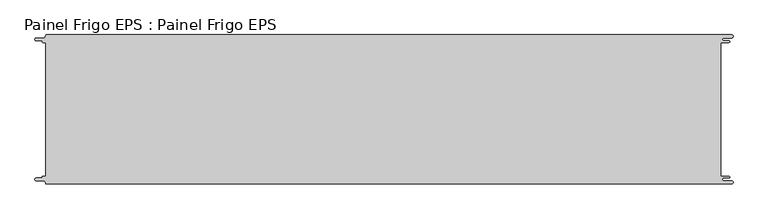
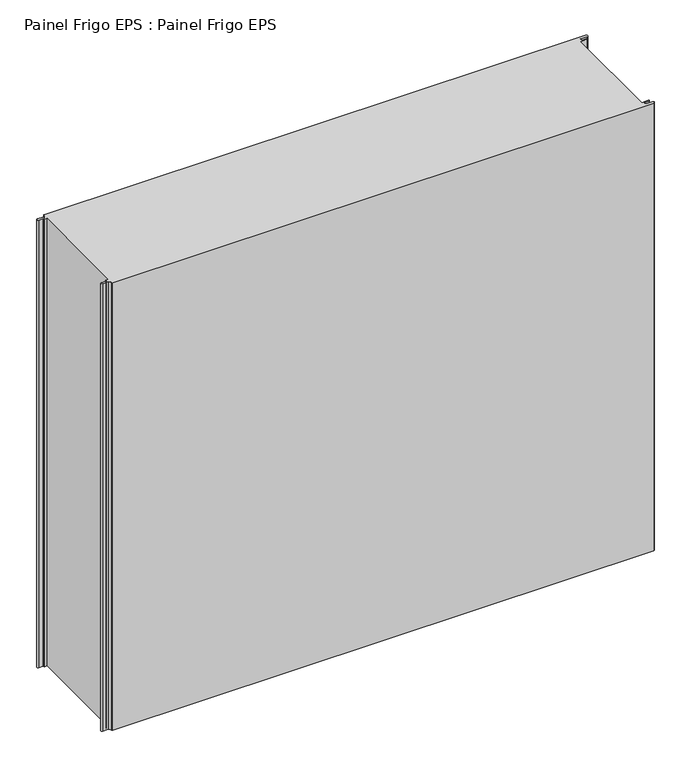
"""IFC4 building model written with IfcOpenShell, lengths in millimetres: proxy geometry, Painel Frigo EPS : Painel Frigo EPS."""

from ifc_helpers import new_model, si_unit, frame, origin, place, context, project, spatial, polyline, circle_curve, source, transform, mapped, element, save
from ifc_brep_helpers import plane_surface, cylinder_surface, revolved_surface, advanced_brep


def painel_frigo_eps_painel_frigo_eps_af255ff4(model_context):
    return source(origin(), model_context, "Body", "AdvancedBrep", [
        advanced_brep(
        [(-579.5093748, 112.3, 1000.0), (-574.2218362, 112.3, 1000.0), (-574.2218362, -112.2999995, 1000.0), (-579.5093748, -112.2999995, 1000.0), (-580.1093753, -112.9, 1000.0), (-580.1093753, -113.7085185, 1000.0), (-581.5093753, -115.1085185, 1000.0), (-590.4875, -115.1085185, 1000.0), (-590.4875, -119.5085185, 1000.0), (-578.471875, -119.5085185, 1000.0), (-574.921875, -123.0585185, 1000.0), (-572.971875, -125.0, 1000.0), (572.284375, -125.0, 1000.0), (572.284375, -119.725, 1000.0), (559.378125, -119.725, 1000.0), (559.378125, -114.875, 1000.0), (568.0406253, -114.875, 1000.0), (568.0406253, -112.3, 1000.0), (554.1906253, -112.3, 1000.0), (554.1906253, 112.3, 1000.0), (568.0406253, 112.3, 1000.0), (568.0406253, 114.875, 1000.0), (559.378125, 114.875, 1000.0), (559.378125, 119.725, 1000.0), (572.284375, 119.725, 1000.0), (572.284375, 125.0, 1000.0), (-572.971875, 125.0, 1000.0), (-574.921875, 123.05, 1000.0), (-578.471875, 119.5085185, 1000.0), (-590.4875, 119.5085185, 1000.0), (-590.4875, 115.1085187, 1000.0), (-581.5093751, 115.1085187, 1000.0), (-580.1093748, 113.7085184, 1000.0), (-580.1093748, 112.9, 1000.0), (-579.5093748, 112.3, 0.0), (-580.1093748, 112.9, 0.0), (-580.1093748, 113.7085184, 0.0), (-581.5093751, 115.1085187, 0.0), (-590.4875, 115.1085187, 0.0), (-590.4875, 119.5085185, 0.0), (-578.471875, 119.5085185, 0.0), (-574.921875, 123.0585185, 0.0), (-572.971875, 125.0, 0.0), (572.284375, 125.0, 0.0), (572.284375, 119.725, 0.0), (559.378125, 119.725, 0.0), (559.378125, 114.875, 0.0), (568.0406253, 114.875, 0.0), (568.0406253, 112.3, 0.0), (554.1906253, 112.3, 0.0), (554.1906253, -112.3, 0.0), (568.0406253, -112.3, 0.0), (568.0406253, -114.875, 0.0), (559.378125, -114.875, 0.0), (559.378125, -119.725, 0.0), (572.284375, -119.725, 0.0), (572.284375, -125.0, 0.0), (-572.971875, -125.0, 0.0), (-574.921875, -123.05, 0.0), (-578.471875, -119.5085185, 0.0), (-590.4875, -119.5085185, 0.0), (-590.4875, -115.1085185, 0.0), (-581.5093753, -115.1085185, 0.0), (-580.1093753, -113.7085185, 0.0), (-580.1093753, -112.9, 0.0), (-579.5093748, -112.2999995, 0.0), (-574.2218362, -112.2999995, 0.0), (-574.2218362, 112.3, 0.0)],
        [
            (0, 1),
            (1, 2),
            (2, 3),
            (3, 4, circle_curve(frame((-579.5093748, -112.9, 1000.0), z_axis=(0.0, 0.0, 1.0), x_axis=(1.0, 0.0, 0.0)), 0.6000005)),
            (4, 5),
            (5, 6, circle_curve(frame((-581.5093753, -113.7085185, 1000.0), z_axis=(0.0, 0.0, -1.0), x_axis=(1.0, 0.0, 0.0)), 1.4)),
            (6, 7),
            (7, 8, circle_curve(frame((-590.4875, -117.3085185, 1000.0), z_axis=(0.0, 0.0, 1.0), x_axis=(1.0, 0.0, 0.0)), 2.2)),
            (8, 9),
            (9, 10, circle_curve(frame((-578.471875, -123.0585185, 1000.0), z_axis=(0.0, 0.0, -1.0), x_axis=(1.0, 0.0, 0.0)), 3.55)),
            (10, 11, circle_curve(frame((-572.971875, -123.05, 1000.0), z_axis=(0.0, 0.0, 1.0), x_axis=(1.0, 0.0, 0.0)), 1.95)),
            (11, 12),
            (12, 13, circle_curve(frame((572.284375, -122.3625, 1000.0), z_axis=(0.0, 0.0, 1.0), x_axis=(1.0, 0.0, 0.0)), 2.6375)),
            (13, 14),
            (14, 15, circle_curve(frame((559.378125, -117.3, 1000.0), z_axis=(0.0, 0.0, -1.0), x_axis=(1.0, 0.0, 0.0)), 2.425)),
            (15, 16),
            (16, 17, circle_curve(frame((568.0406253, -113.5875, 1000.0), z_axis=(0.0, 0.0, 1.0), x_axis=(1.0, 0.0, 0.0)), 1.2875)),
            (17, 18),
            (18, 19),
            (19, 20),
            (20, 21, circle_curve(frame((568.0406253, 113.5875, 1000.0), z_axis=(0.0, 0.0, 1.0), x_axis=(1.0, 0.0, 0.0)), 1.2875)),
            (21, 22),
            (22, 23, circle_curve(frame((559.378125, 117.3, 1000.0), z_axis=(0.0, 0.0, -1.0), x_axis=(1.0, 0.0, 0.0)), 2.425)),
            (23, 24),
            (24, 25, circle_curve(frame((572.284375, 122.3625, 1000.0), z_axis=(0.0, 0.0, 1.0), x_axis=(1.0, 0.0, 0.0)), 2.6375)),
            (25, 26),
            (26, 27, circle_curve(frame((-572.971875, 123.05, 1000.0), z_axis=(0.0, 0.0, 1.0), x_axis=(1.0, 0.0, 0.0)), 1.95)),
            (27, 28, circle_curve(frame((-578.471875, 123.0585185, 1000.0), z_axis=(0.0, 0.0, -1.0), x_axis=(1.0, 0.0, 0.0)), 3.55)),
            (28, 29),
            (29, 30, circle_curve(frame((-590.4875, 117.3085186, 1000.0), z_axis=(0.0, 0.0, 1.0), x_axis=(1.0, 0.0, 0.0)), 2.1999999)),
            (30, 31),
            (31, 32, circle_curve(frame((-581.5093751, 113.7085184, 1000.0), z_axis=(0.0, 0.0, -1.0), x_axis=(1.0, 0.0, 0.0)), 1.4000003)),
            (32, 33),
            (33, 0, circle_curve(frame((-579.5093748, 112.9, 1000.0), z_axis=(0.0, 0.0, 1.0), x_axis=(1.0, 0.0, 0.0)), 0.6)),
            (34, 35, circle_curve(frame((-579.5093748, 112.9, 0.0), z_axis=(0.0, 0.0, -1.0), x_axis=(1.0, 0.0, 0.0)), 0.6)),
            (35, 36),
            (36, 37, circle_curve(frame((-581.5093751, 113.7085184, 0.0), z_axis=(0.0, 0.0, 1.0), x_axis=(1.0, 0.0, 0.0)), 1.4000003)),
            (37, 38),
            (38, 39, circle_curve(frame((-590.4875, 117.3085186, 0.0), z_axis=(0.0, 0.0, -1.0), x_axis=(1.0, 0.0, 0.0)), 2.1999999)),
            (39, 40),
            (40, 41, circle_curve(frame((-578.471875, 123.0585185, 0.0), z_axis=(0.0, 0.0, 1.0), x_axis=(1.0, 0.0, 0.0)), 3.55)),
            (41, 42, circle_curve(frame((-572.971875, 123.05, 0.0), z_axis=(0.0, 0.0, -1.0), x_axis=(1.0, 0.0, 0.0)), 1.95)),
            (42, 43),
            (43, 44, circle_curve(frame((572.284375, 122.3625, 0.0), z_axis=(0.0, 0.0, -1.0), x_axis=(1.0, 0.0, 0.0)), 2.6375)),
            (44, 45),
            (45, 46, circle_curve(frame((559.378125, 117.3, 0.0), z_axis=(0.0, 0.0, 1.0), x_axis=(1.0, 0.0, 0.0)), 2.425)),
            (46, 47),
            (47, 48, circle_curve(frame((568.0406253, 113.5875, 0.0), z_axis=(0.0, 0.0, -1.0), x_axis=(1.0, 0.0, 0.0)), 1.2875)),
            (48, 49),
            (49, 50),
            (50, 51),
            (51, 52, circle_curve(frame((568.0406253, -113.5875, 0.0), z_axis=(0.0, 0.0, -1.0), x_axis=(1.0, 0.0, 0.0)), 1.2875)),
            (52, 53),
            (53, 54, circle_curve(frame((559.378125, -117.3, 0.0), z_axis=(0.0, 0.0, 1.0), x_axis=(1.0, 0.0, 0.0)), 2.425)),
            (54, 55),
            (55, 56, circle_curve(frame((572.284375, -122.3625, 0.0), z_axis=(0.0, 0.0, -1.0), x_axis=(1.0, 0.0, 0.0)), 2.6375)),
            (56, 57),
            (57, 58, circle_curve(frame((-572.971875, -123.05, 0.0), z_axis=(0.0, 0.0, -1.0), x_axis=(1.0, 0.0, 0.0)), 1.95)),
            (58, 59, circle_curve(frame((-578.471875, -123.0585185, 0.0), z_axis=(0.0, 0.0, 1.0), x_axis=(1.0, 0.0, 0.0)), 3.55)),
            (59, 60),
            (60, 61, circle_curve(frame((-590.4875, -117.3085185, 0.0), z_axis=(0.0, 0.0, -1.0), x_axis=(1.0, 0.0, 0.0)), 2.2)),
            (61, 62),
            (62, 63, circle_curve(frame((-581.5093753, -113.7085185, 0.0), z_axis=(0.0, 0.0, 1.0), x_axis=(1.0, 0.0, 0.0)), 1.4)),
            (63, 64),
            (64, 65, circle_curve(frame((-579.5093748, -112.9, 0.0), z_axis=(0.0, 0.0, -1.0), x_axis=(1.0, 0.0, 0.0)), 0.6000005)),
            (65, 66),
            (66, 67),
            (67, 34),
            (11, 57),
            (56, 12),
            (25, 43),
            (42, 26),
            (0, 34),
            (67, 1),
            (66, 2),
            (65, 3),
            (64, 4),
            (63, 5),
            (62, 6),
            (61, 7),
            (60, 8),
            (59, 9),
            (58, 10),
            (18, 50),
            (49, 19),
            (48, 20),
            (47, 21),
            (46, 22),
            (45, 23),
            (44, 24),
            (41, 27),
            (40, 28),
            (39, 29),
            (38, 30),
            (37, 31),
            (36, 32),
            (35, 33),
            (55, 13),
            (54, 14),
            (53, 15),
            (52, 16),
            (51, 17),
        ],
        [
            plane_surface(frame((-574.2218362, 112.3, 1000.0), z_axis=(0.0, 0.0, 1.0), x_axis=(1.0, 0.0, 0.0))),
            plane_surface(frame((-574.2218362, 112.3, 0.0), z_axis=(0.0, 0.0, -1.0), x_axis=(-1.0, 0.0, 0.0))),
            plane_surface(frame((-572.971875, -125.0, 1000.0), z_axis=(0.0, -1.0, 0.0), x_axis=(0.0, 0.0, -1.0))),
            plane_surface(frame((572.284375, 125.0, 1000.0), z_axis=(0.0, 1.0, 0.0), x_axis=(0.0, 0.0, -1.0))),
            plane_surface(frame((-579.5093748, 112.3, 1000.0), z_axis=(0.0, -1.0, 0.0), x_axis=(0.0, 0.0, -1.0))),
            plane_surface(frame((-574.2218362, 112.3, 1000.0), z_axis=(-1.0, 0.0, 0.0), x_axis=(0.0, 0.0, -1.0))),
            plane_surface(frame((-574.2218362, -112.2999995, 1000.0), z_axis=(0.0, 1.0, 0.0), x_axis=(0.0, 0.0, -1.0))),
            cylinder_surface(frame((-579.5093748, -112.9, 0.0), z_axis=(0.0, 0.0, 1.0), x_axis=(1.0, 0.0, 0.0)), 0.6000005),
            plane_surface(frame((-580.1093753, -112.9, 1000.0), z_axis=(-1.0, 1.757860866232952e-12, 0.0), x_axis=(0.0, 0.0, -1.0))),
            revolved_surface(polyline([(-580.1093753, -113.7085185, 0.0), (-580.1093753, -113.7085185, 1000.0)]), (-581.5093753, -113.7085185, 0.0), (0.0, 0.0, -1.0)),
            plane_surface(frame((-581.5093753, -115.1085185, 1000.0), z_axis=(0.0, 1.0, 0.0), x_axis=(0.0, 0.0, -1.0))),
            cylinder_surface(frame((-590.4875, -117.3085185, 0.0), z_axis=(0.0, 0.0, 1.0), x_axis=(1.0, 0.0, 0.0)), 2.2),
            plane_surface(frame((-590.4875, -119.5085185, 1000.0), z_axis=(0.0, -1.0, 0.0), x_axis=(0.0, 0.0, -1.0))),
            revolved_surface(polyline([(-574.921875, -123.0585185, 0.0), (-574.921875, -123.0585185, 1000.0)]), (-578.471875, -123.0585185, 0.0), (0.0, 0.0, -1.0)),
            cylinder_surface(frame((-572.971875, -123.05, 0.0), z_axis=(0.0, 0.0, 1.0), x_axis=(1.0, 0.0, 0.0)), 1.95),
            plane_surface(frame((554.1906253, -112.3, 1000.0), z_axis=(1.0, 0.0, 0.0), x_axis=(0.0, 0.0, -1.0))),
            plane_surface(frame((554.1906253, 112.3, 1000.0), z_axis=(0.0, -1.0, 0.0), x_axis=(0.0, 0.0, -1.0))),
            cylinder_surface(frame((568.0406253, 113.5875, 0.0), z_axis=(0.0, 0.0, 1.0), x_axis=(1.0, 0.0, 0.0)), 1.2875),
            plane_surface(frame((568.0406253, 114.875, 1000.0), z_axis=(0.0, 1.0, 0.0), x_axis=(0.0, 0.0, -1.0))),
            revolved_surface(polyline([(561.8031249999999, 117.3, 0.0), (561.8031249999999, 117.3, 1000.0)]), (559.378125, 117.3, 0.0), (0.0, 0.0, -1.0)),
            plane_surface(frame((559.378125, 119.725, 1000.0), z_axis=(0.0, -1.0, 0.0), x_axis=(0.0, 0.0, -1.0))),
            cylinder_surface(frame((572.284375, 122.3625, 0.0), z_axis=(0.0, 0.0, 1.0), x_axis=(1.0, 0.0, 0.0)), 2.6375),
            cylinder_surface(frame((-572.971875, 123.05, 0.0), z_axis=(0.0, 0.0, 1.0), x_axis=(1.0, 0.0, 0.0)), 1.95),
            revolved_surface(polyline([(-574.921875, 123.0585185, 0.0), (-574.921875, 123.0585185, 1000.0)]), (-578.471875, 123.0585185, 0.0), (0.0, 0.0, -1.0)),
            plane_surface(frame((-578.471875, 119.5085185, 1000.0), z_axis=(0.0, 1.0, 0.0), x_axis=(0.0, 0.0, -1.0))),
            cylinder_surface(frame((-590.4875, 117.3085186, 0.0), z_axis=(0.0, 0.0, 1.0), x_axis=(1.0, 0.0, 0.0)), 2.1999999),
            plane_surface(frame((-590.4875, 115.1085187, 1000.0), z_axis=(0.0, -1.0, 0.0), x_axis=(0.0, 0.0, -1.0))),
            revolved_surface(polyline([(-580.1093748000001, 113.7085184, 0.0), (-580.1093748000001, 113.7085184, 1000.0)]), (-581.5093751, 113.7085184, 0.0), (0.0, 0.0, -1.0)),
            plane_surface(frame((-580.1093748, 113.7085184, 1000.0), z_axis=(-1.0, 0.0, 0.0), x_axis=(0.0, 0.0, -1.0))),
            cylinder_surface(frame((-579.5093748, 112.9, 0.0), z_axis=(0.0, 0.0, 1.0), x_axis=(1.0, 0.0, 0.0)), 0.6),
            cylinder_surface(frame((572.284375, -122.3625, 0.0), z_axis=(0.0, 0.0, 1.0), x_axis=(1.0, 0.0, 0.0)), 2.6375),
            plane_surface(frame((572.284375, -119.725, 1000.0), z_axis=(0.0, 1.0, 0.0), x_axis=(0.0, 0.0, -1.0))),
            revolved_surface(polyline([(561.8031249999999, -117.3, 0.0), (561.8031249999999, -117.3, 1000.0)]), (559.378125, -117.3, 0.0), (0.0, 0.0, -1.0)),
            plane_surface(frame((559.378125, -114.875, 1000.0), z_axis=(0.0, -1.0, 0.0), x_axis=(0.0, 0.0, -1.0))),
            cylinder_surface(frame((568.0406253, -113.5875, 0.0), z_axis=(0.0, 0.0, 1.0), x_axis=(1.0, 0.0, 0.0)), 1.2875),
            plane_surface(frame((568.0406253, -112.3, 1000.0), z_axis=(0.0, 1.0, 0.0), x_axis=(0.0, 0.0, -1.0))),
        ],
        [
            (0, [[1, 2, 3, 4, 5, 6, 7, 8, 9, 10, 11, 12, 13, 14, 15, 16, 17, 18, 19, 20, 21, 22, 23, 24, 25, 26, 27, 28, 29, 30, 31, 32, 33, 34]]),
            (1, [[35, 36, 37, 38, 39, 40, 41, 42, 43, 44, 45, 46, 47, 48, 49, 50, 51, 52, 53, 54, 55, 56, 57, 58, 59, 60, 61, 62, 63, 64, 65, 66, 67, 68]]),
            (2, [[-12, 69, -57, 70]]),
            (3, [[-26, 71, -43, 72]]),
            (4, [[-1, 73, -68, 74]]),
            (5, [[-2, -74, -67, 75]]),
            (6, [[-3, -75, -66, 76]]),
            (7, [[-4, -76, -65, 77]]),
            (8, [[-5, -77, -64, 78]]),
            (9, [[-6, -78, -63, 79]]),
            (10, [[-7, -79, -62, 80]]),
            (11, [[-8, -80, -61, 81]]),
            (12, [[-9, -81, -60, 82]]),
            (13, [[-10, -82, -59, 83]]),
            (14, [[-11, -83, -58, -69]]),
            (15, [[-19, 84, -50, 85]]),
            (16, [[-20, -85, -49, 86]]),
            (17, [[-21, -86, -48, 87]]),
            (18, [[-22, -87, -47, 88]]),
            (19, [[-23, -88, -46, 89]]),
            (20, [[-24, -89, -45, 90]]),
            (21, [[-25, -90, -44, -71]]),
            (22, [[-27, -72, -42, 91]]),
            (23, [[-28, -91, -41, 92]]),
            (24, [[-29, -92, -40, 93]]),
            (25, [[-30, -93, -39, 94]]),
            (26, [[-31, -94, -38, 95]]),
            (27, [[-32, -95, -37, 96]]),
            (28, [[-33, -96, -36, 97]]),
            (29, [[-34, -97, -35, -73]]),
            (30, [[-13, -70, -56, 98]]),
            (31, [[-14, -98, -55, 99]]),
            (32, [[-15, -99, -54, 100]]),
            (33, [[-16, -100, -53, 101]]),
            (34, [[-17, -101, -52, 102]]),
            (35, [[-18, -102, -51, -84]]),
        ],
    ),
    ])


if __name__ == "__main__":
    model = new_model("IFC4")
    model_context = context("Model", 3, world=origin())
    ifc_project = project(units=[si_unit("LENGTHUNIT", "METRE", prefix="MILLI")], contexts=[model_context])
    site = spatial("IfcSite", under=ifc_project)
    building = spatial("IfcBuilding", under=site)
    placement = place(None, origin())
    painel_frigo_eps_painel_frigo_eps_shape = painel_frigo_eps_painel_frigo_eps_af255ff4(model_context)
    element("IfcBuildingElementProxy", 1, Name="Painel Frigo EPS : Painel Frigo EPS", ObjectType="Painel Frigo EPS : Painel Frigo EPS", at=placement, inside=building, context=model_context, shape_type="MappedRepresentation", body=[
        mapped(painel_frigo_eps_painel_frigo_eps_shape, transform((0.0, 0.0, 0.0), x_axis=(1.0, 0.0, 0.0), y_axis=(0.0, 1.0, 0.0), z_axis=(0.0, 0.0, 1.0))),
    ])
    save(model, "model.ifc")
